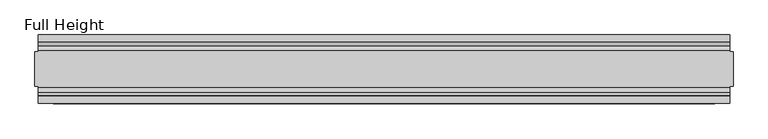
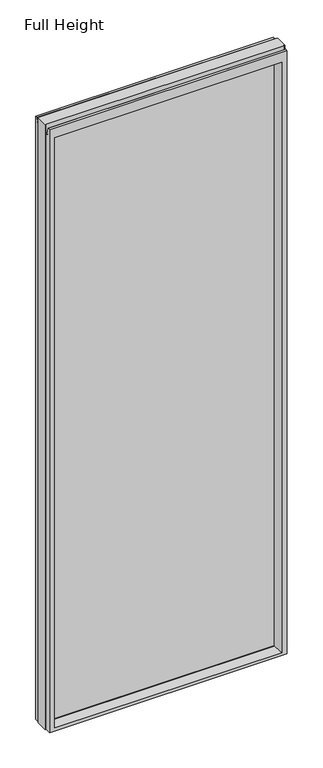
"""IFC4 building model written with IfcOpenShell, lengths in millimetres: plate geometry, Full Height."""

from ifc_helpers import new_model, si_unit, frame, origin, place, context, project, spatial, polyline, circle_curve, outline, extrude, source, transform, mapped, element, save
from ifc_brep_helpers import plane_surface, cylinder_surface, revolved_surface, advanced_brep


def full_height_c72ce43d(model_context):
    return source(origin(), model_context, "Body", "SolidModel", [
        advanced_brep(
        [(505.6759, 50.0, 0.0), (505.6759, 25.146, 0.0), (510.2479, 25.146, 0.0), (510.2479, -25.146, 0.0), (505.6759, -25.146, 0.0), (505.6759, -50.0, 0.0), (-505.6759, -50.0, 0.0), (-505.6759, -25.146, 0.0), (-510.2479, -25.146, 0.0), (-510.2479, 25.146, 0.0), (-505.6759, 25.146, 0.0), (-505.6759, 50.0, 0.0), (510.2479, 25.146, 2720.34), (505.6759, 25.146, 2720.34), (505.6759, 26.67, 2720.34), (-505.6759, 26.67, 2720.34), (-505.6759, 25.146, 2720.34), (-510.2479, 25.146, 2720.34), (-510.2479, -25.146, 2720.34), (-505.6759, -25.146, 2720.34), (-505.6759, -26.67, 2720.34), (505.6759, -26.67, 2720.34), (505.6759, -25.146, 2720.34), (510.2479, -25.146, 2720.34), (-505.6759, 26.67, 2683.129), (505.6759, 26.67, 2683.129), (-505.6759, -50.0, 2711.196), (-505.6759, -39.9371387, 2711.196), (-505.6759, -39.1867152, 2710.5663199), (-505.6759, -34.2321175, 2682.4674004), (-505.6759, -26.67, 2683.129), (-505.6759, 34.2321175, 2682.4674004), (-505.6759, 39.1867152, 2710.5663199), (-505.6759, 39.9371387, 2711.196), (-505.6759, 50.0, 2711.196), (505.6759, -50.0, 2711.196), (-483.5779, -50.0, 2666.619), (483.5779, -50.0, 2666.619), (483.5779, -50.0, 13.9954), (-483.5779, -50.0, 13.9954), (505.6759, 50.0, 2711.196), (-483.5779, 50.0, 13.9954), (483.5779, 50.0, 13.9954), (483.5779, 50.0, 2666.619), (-483.5779, 50.0, 2666.619), (-477.6089, -6.1006519, 18.3896), (-477.6089, -6.1006519, 2660.65), (-477.6089, 6.1006519, 2660.65), (-477.6089, 6.1006519, 18.3896), (477.6089, 6.1006519, 18.3896), (477.6089, 6.1006519, 2660.65), (477.6089, -6.1006519, 2660.65), (477.6089, -6.1006519, 18.3896), (505.6759, 39.9371387, 2711.196), (505.6759, 39.1867152, 2710.5663199), (505.6759, 34.2321175, 2682.4674004), (505.6759, -26.67, 2683.129), (505.6759, -34.2321175, 2682.4674004), (505.6759, -39.1867152, 2710.5663199), (505.6759, -39.9371387, 2711.196)],
        [
            (0, 1),
            (1, 2),
            (2, 3),
            (3, 4),
            (4, 5),
            (5, 6),
            (6, 7),
            (7, 8),
            (8, 9),
            (9, 10),
            (10, 11),
            (11, 0),
            (12, 13),
            (13, 14),
            (14, 15),
            (15, 16),
            (16, 17),
            (17, 18),
            (18, 19),
            (19, 20),
            (20, 21),
            (21, 22),
            (22, 23),
            (23, 12),
            (1, 13),
            (12, 2),
            (22, 4),
            (3, 23),
            (17, 9),
            (8, 18),
            (7, 19),
            (16, 10),
            (24, 15),
            (14, 25),
            (25, 24),
            (6, 26),
            (26, 27),
            (27, 28, circle_curve(frame((-505.6759, -39.9371387, 2710.434), z_axis=(-1.0, 0.0, 0.0), x_axis=(0.0, -1.0, 0.0)), 0.762)),
            (28, 29),
            (29, 30, circle_curve(frame((-505.6759, -30.48, 2683.129), z_axis=(1.0, 0.0, 0.0), x_axis=(0.0, -1.0, 0.0)), 3.81)),
            (30, 20),
            (24, 31, circle_curve(frame((-505.6759, 30.48, 2683.129), z_axis=(1.0, 0.0, 0.0), x_axis=(0.0, -1.0, 0.0)), 3.81)),
            (31, 32),
            (32, 33, circle_curve(frame((-505.6759, 39.9371387, 2710.434), z_axis=(-1.0, 0.0, 0.0), x_axis=(0.0, -1.0, 0.0)), 0.762)),
            (33, 34),
            (34, 11),
            (5, 35),
            (35, 26),
            (36, 37),
            (37, 38),
            (38, 39),
            (39, 36),
            (34, 40),
            (40, 0),
            (41, 42),
            (42, 43),
            (43, 44),
            (44, 41),
            (39, 45),
            (45, 46),
            (46, 36),
            (44, 47),
            (47, 48),
            (48, 41),
            (42, 49),
            (49, 50),
            (50, 43),
            (51, 52),
            (52, 38),
            (37, 51),
            (40, 53),
            (53, 54, circle_curve(frame((505.6759, 39.9371387, 2710.434), z_axis=(1.0, 0.0, 0.0), x_axis=(0.0, -1.0, 0.0)), 0.762)),
            (54, 55),
            (55, 25, circle_curve(frame((505.6759, 30.48, 2683.129), z_axis=(-1.0, 0.0, 0.0), x_axis=(0.0, -1.0, 0.0)), 3.81)),
            (21, 56),
            (56, 57, circle_curve(frame((505.6759, -30.48, 2683.129), z_axis=(-1.0, 0.0, 0.0), x_axis=(0.0, -1.0, 0.0)), 3.81)),
            (57, 58),
            (58, 59, circle_curve(frame((505.6759, -39.9371387, 2710.434), z_axis=(1.0, 0.0, 0.0), x_axis=(0.0, -1.0, 0.0)), 0.762)),
            (59, 35),
            (33, 53),
            (59, 27),
            (30, 56),
            (46, 51),
            (31, 55),
            (54, 32),
            (58, 28),
            (57, 29),
            (52, 45),
            (48, 49),
            (50, 47),
            (46, 47),
            (50, 51),
            (52, 49),
            (48, 45),
        ],
        [
            plane_surface(frame((-505.6759, -50.0, 0.0), z_axis=(0.0, 0.0, -1.0), x_axis=(0.0, 1.0, 0.0))),
            plane_surface(frame((505.6759, 25.146, 2720.34), z_axis=(0.0, 0.0, 1.0), x_axis=(-1.0, 0.0, 0.0))),
            plane_surface(frame((510.2479, 25.146, 2720.34), z_axis=(0.0, 1.0, 0.0), x_axis=(0.0, 0.0, -1.0))),
            plane_surface(frame((505.6759, -25.146, 2720.34), z_axis=(0.0, -1.0, 0.0), x_axis=(0.0, 0.0, -1.0))),
            plane_surface(frame((510.2479, -25.146, 2720.34), z_axis=(1.0, 0.0, 0.0), x_axis=(0.0, 0.0, -1.0))),
            plane_surface(frame((-510.2479, 25.146, 2720.34), z_axis=(-1.0, 0.0, 0.0), x_axis=(0.0, 0.0, -1.0))),
            plane_surface(frame((-510.2479, -25.146, 2720.34), z_axis=(0.0, -1.0, 0.0), x_axis=(0.0, 0.0, -1.0))),
            plane_surface(frame((-505.6759, 25.146, 2720.34), z_axis=(0.0, 1.0, 0.0), x_axis=(0.0, 0.0, -1.0))),
            plane_surface(frame((-505.6759, 26.67, 2720.34), z_axis=(0.0, 1.0, 0.0), x_axis=(1.0, 0.0, 0.0))),
            plane_surface(frame((-505.6759, 50.0, 2678.4046), z_axis=(-1.0, 0.0, 0.0), x_axis=(0.0, 0.0, -1.0))),
            plane_surface(frame((-505.6759, -50.0, 2678.4046), z_axis=(0.0, -1.0, 0.0), x_axis=(0.0, 0.0, -1.0))),
            plane_surface(frame((-483.5779, 50.0, 2678.4046), z_axis=(0.0, 1.0, 0.0), x_axis=(0.0, 0.0, -1.0))),
            plane_surface(frame((-483.5779, -50.0, 2678.4046), z_axis=(0.990882294353361, -0.13473039277393772, 0.0), x_axis=(0.0, 0.0, -1.0))),
            plane_surface(frame((-477.6089, 6.1006519, 2678.4046), z_axis=(0.990882294353361, 0.13473039277393709, 0.0), x_axis=(0.0, 0.0, -1.0))),
            plane_surface(frame((483.5779, 50.0, 2678.4046), z_axis=(-0.9908822943533626, 0.134730392773925, 0.0), x_axis=(0.0, 0.0, -1.0))),
            plane_surface(frame((477.6089, -6.1006519, 2678.4046), z_axis=(-0.9908822943533585, -0.13473039277395565, 0.0), x_axis=(0.0, 0.0, -1.0))),
            plane_surface(frame((505.6759, -50.0, 2678.4046), z_axis=(1.0, 0.0, 0.0), x_axis=(0.0, 0.0, -1.0))),
            plane_surface(frame((-505.6759, 39.9371387, 2711.196), z_axis=(0.0, 0.0, 1.0), x_axis=(1.0, 0.0, 0.0))),
            plane_surface(frame((-505.6759, -50.0, 2711.196), z_axis=(0.0, 0.0, 1.0), x_axis=(1.0, 0.0, 0.0))),
            plane_surface(frame((-505.6759, -26.67, 2683.129), z_axis=(0.0, -1.0, 0.0), x_axis=(1.0, 0.0, 0.0))),
            plane_surface(frame((-505.6759, -6.1006519, 2660.65), z_axis=(0.0, -0.13473039277396787, -0.9908822943533568), x_axis=(1.0, 0.0, 0.0))),
            plane_surface(frame((-505.6759, 34.2321175, 2682.4674004), z_axis=(0.0, -0.9848077530122081, 0.17364817766692986), x_axis=(1.0, 0.0, 0.0))),
            revolved_surface(polyline([(505.6759, 26.67, 2683.129), (-505.6759, 26.67, 2683.129)]), (505.6759, 30.48, 2683.129), (1.0, 0.0, 0.0)),
            cylinder_surface(frame((505.6759, 39.9371387, 2710.434), z_axis=(-1.0, 0.0, 0.0), x_axis=(0.0, -1.0, 0.0)), 0.762),
            cylinder_surface(frame((505.6759, -39.9371387, 2710.434), z_axis=(-1.0, 0.0, 0.0), x_axis=(0.0, -1.0, 0.0)), 0.762),
            plane_surface(frame((-505.6759, -39.1867152, 2710.5663199), z_axis=(0.0, 0.9848077530122008, 0.17364817766697138), x_axis=(1.0, 0.0, 0.0))),
            revolved_surface(polyline([(505.6759, -34.29, 2683.129), (-505.6759, -34.29, 2683.129)]), (505.6759, -30.48, 2683.129), (1.0, 0.0, 0.0)),
            plane_surface(frame((-505.6759, -50.0, 13.9954), z_axis=(0.0, -0.09959943661133767, 0.9950276138010965), x_axis=(1.0, 0.0, 0.0))),
            plane_surface(frame((-505.6759, 6.1006519, 18.3896), z_axis=(0.0, 0.0995994366113773, 0.9950276138010926), x_axis=(1.0, 0.0, 0.0))),
            plane_surface(frame((-505.6759, 50.0, 2666.619), z_axis=(0.0, 0.13473039277395585, -0.9908822943533585), x_axis=(1.0, 0.0, 0.0))),
            plane_surface(frame((-505.6759, 6.1006519, 2660.65), z_axis=(0.0, 0.0, -1.0), x_axis=(1.0, 0.0, 0.0))),
            plane_surface(frame((-505.6759, -6.1006519, 18.3896), z_axis=(0.0, 0.0, 1.0), x_axis=(1.0, 0.0, 0.0))),
            plane_surface(frame((-477.6089, -6.1006519, 2678.4046), z_axis=(1.0, 0.0, 0.0), x_axis=(0.0, 0.0, -1.0))),
            plane_surface(frame((477.6089, 6.1006519, 2678.4046), z_axis=(-1.0, 0.0, 0.0), x_axis=(0.0, 0.0, -1.0))),
        ],
        [
            (0, [[1, 2, 3, 4, 5, 6, 7, 8, 9, 10, 11, 12]]),
            (1, [[13, 14, 15, 16, 17, 18, 19, 20, 21, 22, 23, 24]]),
            (2, [[25, -13, 26, -2]]),
            (3, [[-23, 27, -4, 28]]),
            (4, [[-24, -28, -3, -26]]),
            (5, [[-18, 29, -9, 30]]),
            (6, [[31, -19, -30, -8]]),
            (7, [[-17, 32, -10, -29]]),
            (8, [[33, -15, 34, 35]]),
            (9, [[-7, 36, 37, 38, 39, 40, 41, -20, -31]]),
            (9, [[-11, -32, -16, -33, 42, 43, 44, 45, 46]]),
            (10, [[-36, -6, 47, 48], [49, 50, 51, 52]]),
            (11, [[-12, -46, 53, 54], [55, 56, 57, 58]]),
            (12, [[-52, 59, 60, 61]]),
            (13, [[-58, 62, 63, 64]]),
            (14, [[-56, 65, 66, 67]]),
            (15, [[68, 69, -50, 70]]),
            (16, [[-1, -54, 71, 72, 73, 74, -34, -14, -25]]),
            (16, [[-47, -5, -27, -22, 75, 76, 77, 78, 79]]),
            (17, [[-45, 80, -71, -53]]),
            (18, [[-37, -48, -79, 81]]),
            (19, [[-41, 82, -75, -21]]),
            (20, [[-49, -61, 83, -70]]),
            (21, [[-43, 84, -73, 85]]),
            (22, [[-42, -35, -74, -84]]),
            (23, [[-44, -85, -72, -80]]),
            (24, [[-38, -81, -78, 86]]),
            (25, [[-39, -86, -77, 87]]),
            (26, [[-40, -87, -76, -82]]),
            (27, [[-51, -69, 88, -59]]),
            (28, [[-55, -64, 89, -65]]),
            (29, [[-57, -67, 90, -62]]),
            (30, [[-83, 91, -90, 92]]),
            (31, [[-88, 93, -89, 94]]),
            (32, [[-63, -91, -60, -94]]),
            (33, [[-68, -92, -66, -93]]),
        ],
    ),
        extrude(outline(polyline([(-477.6089, 3.175), (477.6089, 3.175), (477.6089, -3.175), (-477.6089, -3.175), (-477.6089, 3.175)])), frame((0.0, 0.0, 18.3896), z_axis=(0.0, 0.0, 1.0), x_axis=(1.0, 0.0, 0.0)), (0.0, 0.0, 1.0), 2642.2604),
    ])


if __name__ == "__main__":
    model = new_model("IFC4")
    model_context = context("Model", 3, world=origin())
    ifc_project = project(units=[si_unit("LENGTHUNIT", "METRE", prefix="MILLI")], contexts=[model_context])
    site = spatial("IfcSite", under=ifc_project)
    building = spatial("IfcBuilding", under=site)
    placement = place(None, origin())
    full_height_shape = full_height_c72ce43d(model_context)
    element("IfcPlate", 1, ObjectType="Full Height", at=placement, inside=building, context=model_context, shape_type="MappedRepresentation", body=[
        mapped(full_height_shape, transform((0.0, 0.0, 0.0), x_axis=(1.0, 0.0, 0.0), y_axis=(0.0, 1.0, 0.0), z_axis=(0.0, 0.0, 1.0))),
    ])
    save(model, "model.ifc")
